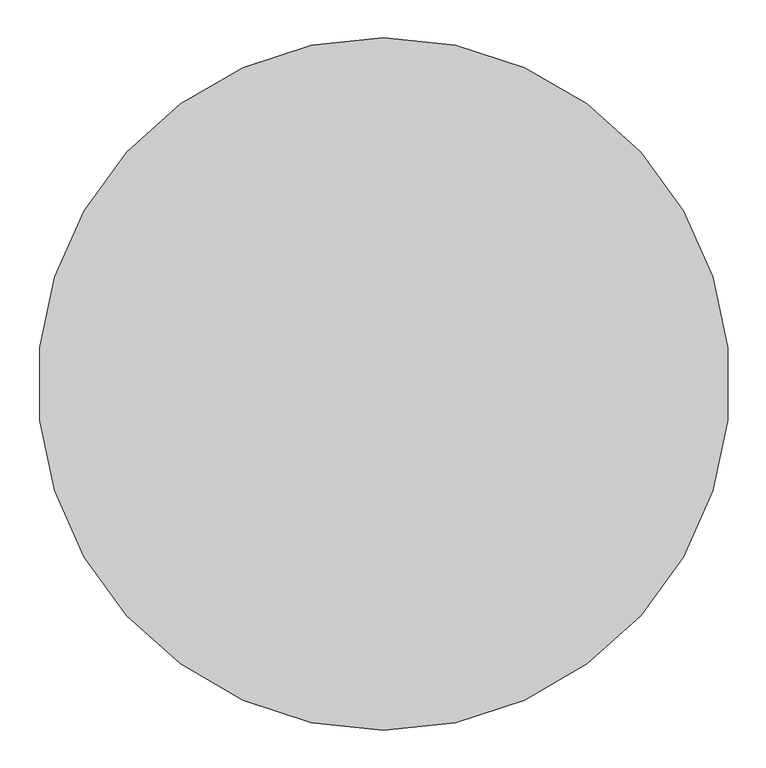
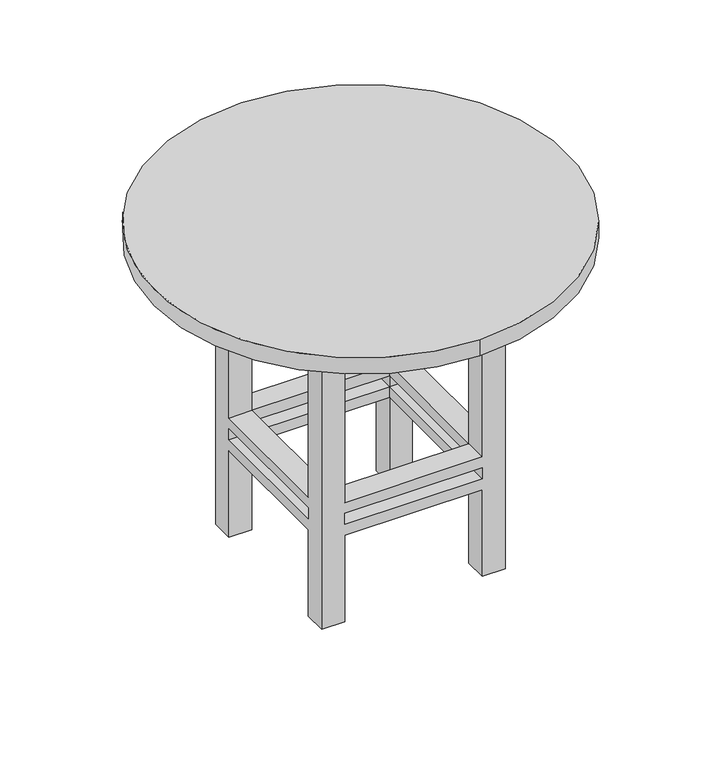
"""IFC4 building model written with IfcOpenShell, lengths in millimetres: furniture geometry."""

from ifc_helpers import new_model, si_unit, point, frame, frame_2d, origin, place, context, project, spatial, polyline, circle_curve, trimmed, segment, composite_curve, outline, extrude, faceted_brep, source, transform, mapped, element, save


def furniture_5defa876(model_context):
    return source(origin(), model_context, "Body", "SolidModel", [
        faceted_brep([(-48.8680328, 18.4713115, 647.7), (-99.6680328, 18.4713115, 647.7), (-99.6680328, -32.3286885, 647.7), (-48.8680328, -32.3286885, 647.7), (256.2319672, 18.4713115, 647.7), (256.2319672, -32.3286885, 647.7), (307.0319672, -32.3286885, 647.7), (307.0319672, 18.4713115, 647.7), (256.2319672, -388.2286885, 647.7), (307.0319672, -388.2286885, 647.7), (307.0319672, -337.4286885, 647.7), (256.2319672, -337.4286885, 647.7), (-48.8680328, -388.2286885, 647.7), (-48.8680328, -337.4286885, 647.7), (-99.6680328, -337.4286885, 647.7), (-99.6680328, -388.2286885, 647.7), (-48.8680328, 18.4713115, 0.0), (-48.8680328, -32.3286885, 0.0), (-99.6680328, -32.3286885, 0.0), (-99.6680328, 18.4713115, 0.0), (256.2319672, 18.4713115, 0.0), (307.0319672, 18.4713115, 0.0), (307.0319672, -32.3286885, 0.0), (256.2319672, -32.3286885, 0.0), (256.2319672, -388.2286885, 0.0), (256.2319672, -337.4286885, 0.0), (307.0319672, -337.4286885, 0.0), (307.0319672, -388.2286885, 0.0), (-48.8680328, -388.2286885, 0.0), (-99.6680328, -388.2286885, 0.0), (-99.6680328, -337.4286885, 0.0), (-48.8680328, -337.4286885, 0.0), (-48.8680328, 18.4713115, 279.4), (256.2319672, 18.4713115, 279.4), (256.2319672, 18.4713115, 203.2), (-48.8680328, 18.4713115, 203.2), (256.2319672, 18.4713115, 228.6), (256.2319672, 18.4713115, 254.0), (-48.8680328, 18.4713115, 254.0), (-48.8680328, 18.4713115, 228.6), (-99.6680328, -32.3286885, 203.2), (-99.6680328, -337.4286885, 203.2), (-99.6680328, -337.4286885, 279.4), (-99.6680328, -32.3286885, 279.4), (-99.6680328, -32.3286885, 228.6), (-99.6680328, -32.3286885, 254.0), (-99.6680328, -337.4286885, 254.0), (-99.6680328, -337.4286885, 228.6), (-48.8680328, -32.3286885, 279.4), (-48.8680328, -32.3286885, 203.2), (-48.8680328, -32.3286885, 228.6), (-48.8680328, -32.3286885, 254.0), (256.2319672, -32.3286885, 279.4), (256.2319672, -32.3286885, 203.2), (256.2319672, -32.3286885, 228.6), (256.2319672, -32.3286885, 254.0), (307.0319672, -32.3286885, 279.4), (307.0319672, -32.3286885, 203.2), (307.0319672, -32.3286885, 228.6), (307.0319672, -32.3286885, 254.0), (307.0319672, -337.4286885, 279.4), (307.0319672, -337.4286885, 203.2), (307.0319672, -337.4286885, 228.6), (307.0319672, -337.4286885, 254.0), (256.2319672, -388.2286885, 279.4), (-48.8680328, -388.2286885, 279.4), (-48.8680328, -388.2286885, 203.2), (256.2319672, -388.2286885, 203.2), (-48.8680328, -388.2286885, 228.6), (-48.8680328, -388.2286885, 254.0), (256.2319672, -388.2286885, 254.0), (256.2319672, -388.2286885, 228.6), (256.2319672, -337.4286885, 279.4), (256.2319672, -337.4286885, 203.2), (256.2319672, -337.4286885, 228.6), (256.2319672, -337.4286885, 254.0), (-48.8680328, -337.4286885, 279.4), (-48.8680328, -337.4286885, 203.2), (-48.8680328, -337.4286885, 228.6), (-48.8680328, -337.4286885, 254.0)], [[[0, 1, 2, 3]], [[4, 5, 6, 7]], [[8, 9, 10, 11]], [[12, 13, 14, 15]], [[16, 17, 18, 19]], [[20, 21, 22, 23]], [[24, 25, 26, 27]], [[28, 29, 30, 31]], [[1, 0, 32, 33, 4, 7, 21, 20, 34, 35, 16, 19], [36, 37, 38, 39]], [[2, 1, 19, 18, 40, 41, 30, 29, 15, 14, 42, 43], [44, 45, 46, 47]], [[3, 2, 43, 48]], [[18, 17, 49, 40]], [[44, 50, 51, 45]], [[0, 3, 48, 32]], [[17, 16, 35, 49]], [[50, 39, 38, 51]], [[5, 4, 33, 52]], [[20, 23, 53, 34]], [[36, 54, 55, 37]], [[6, 5, 52, 56]], [[23, 22, 57, 53]], [[54, 58, 59, 55]], [[21, 7, 6, 56, 60, 10, 9, 27, 26, 61, 57, 22], [62, 63, 59, 58]], [[27, 9, 8, 64, 65, 12, 15, 29, 28, 66, 67, 24], [68, 69, 70, 71]], [[11, 10, 60, 72]], [[26, 25, 73, 61]], [[62, 74, 75, 63]], [[8, 11, 72, 64]], [[25, 24, 67, 73]], [[74, 71, 70, 75]], [[13, 12, 65, 76]], [[28, 31, 77, 66]], [[68, 78, 79, 69]], [[14, 13, 76, 42]], [[31, 30, 41, 77]], [[78, 47, 46, 79]], [[54, 74, 62, 58]], [[74, 78, 68, 71]], [[78, 50, 44, 47]], [[50, 54, 36, 39]], [[53, 49, 35, 34]], [[49, 77, 41, 40]], [[77, 73, 67, 66]], [[73, 53, 57, 61]], [[74, 54, 53, 73]], [[78, 74, 73, 77]], [[50, 78, 77, 49]], [[54, 50, 49, 53]], [[52, 72, 60, 56]], [[72, 76, 65, 64]], [[76, 48, 43, 42]], [[48, 52, 33, 32]], [[55, 51, 38, 37]], [[51, 79, 46, 45]], [[79, 75, 70, 69]], [[75, 55, 59, 63]], [[72, 52, 55, 75]], [[76, 72, 75, 79]], [[48, 76, 79, 51]], [[52, 48, 51, 55]]]),
        extrude(outline(polyline([(332.4319672, 43.8713115), (332.4319672, -413.6286885), (-125.0680328, -413.6286885), (-125.0680328, 43.8713115), (332.4319672, 43.8713115)]), holes=[polyline([(307.0319672, 18.4713115), (-99.6680328, 18.4713115), (-99.6680328, -388.2286885), (307.0319672, -388.2286885), (307.0319672, 18.4713115)])]), frame((0.0, 0.0, 647.7), z_axis=(0.0, 0.0, 1.0), x_axis=(1.0, 0.0, 0.0)), (0.0, 0.0, 1.0), 76.2),
        extrude(outline(composite_curve([segment(trimmed(circle_curve(frame_2d((103.6819672, -184.8786885)), 457.5), [point((103.6819672, -642.3786885))], [point((103.6819672, 272.6213115))], False, "CARTESIAN"), True, "CONTINUOUS"), segment(trimmed(circle_curve(frame_2d((103.6819672, -184.8786885)), 457.5), [point((103.6819672, 272.6213115))], [point((103.6819672, -642.3786885))], False, "CARTESIAN"), True, "CONTINUOUS")], self_intersect=False)), frame((0.0, 0.0, 723.9), z_axis=(0.0, 0.0, 1.0), x_axis=(1.0, 0.0, 0.0)), (0.0, 0.0, 1.0), 38.1),
    ])


if __name__ == "__main__":
    model = new_model("IFC4")
    model_context = context("Model", 3, world=origin())
    ifc_project = project(units=[si_unit("LENGTHUNIT", "METRE", prefix="MILLI")], contexts=[model_context])
    site = spatial("IfcSite", under=ifc_project)
    building = spatial("IfcBuilding", under=site)
    placement = place(None, origin())
    furniture_shape = furniture_5defa876(model_context)
    element("IfcFurniture", 1, at=placement, inside=building, context=model_context, shape_type="MappedRepresentation", body=[
        mapped(furniture_shape, transform((0.0, 0.0, 0.0), x_axis=(1.0, 0.0, 0.0), y_axis=(0.0, 1.0, 0.0), z_axis=(0.0, 0.0, 1.0))),
    ])
    save(model, "model.ifc")
